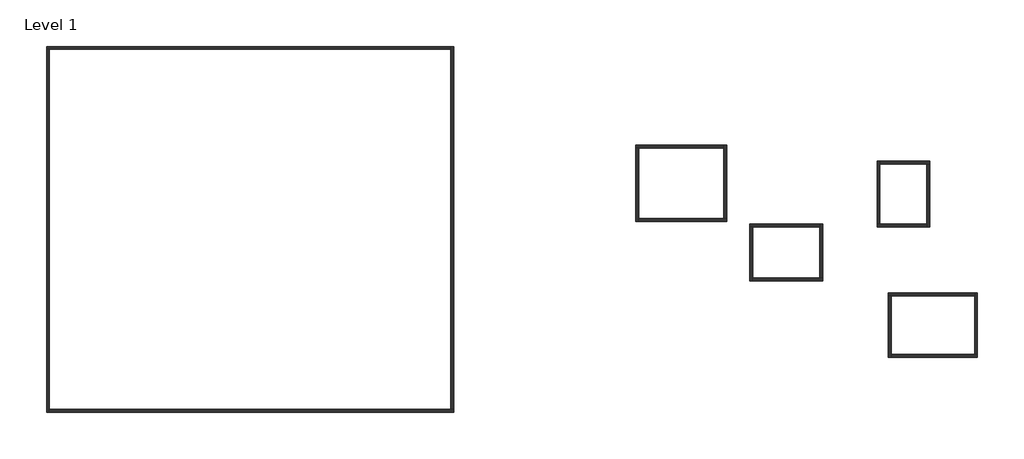
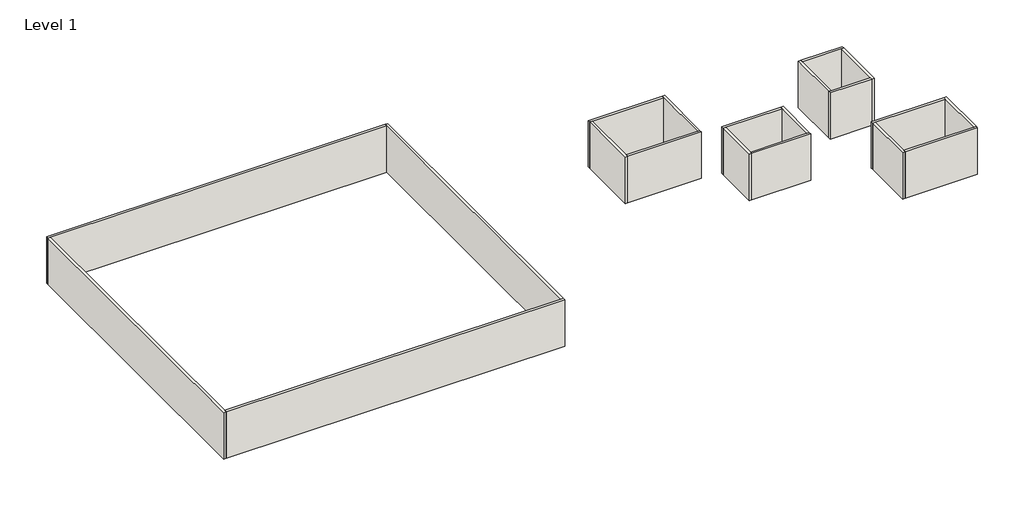
# One storey: 20 walls.
"""IFC4 building model written with IfcOpenShell, lengths in millimetres."""

from ifc_helpers import new_model, si_unit, origin, place, context, project, spatial, faceted_brep, element, save

model = new_model("IFC4")

# Units and contexts
model_context = context("Model", 3, world=origin())
ifc_project = project(units=[si_unit("LENGTHUNIT", "METRE", prefix="MILLI")], contexts=[model_context])

# Site, building, storey
site = spatial("IfcSite", under=ifc_project)
building = spatial("IfcBuilding", under=site)
storey = spatial("IfcBuildingStorey", under=building, Name="Level 1", Elevation=0.0)

# Walls
placement = place(None, origin())
element("IfcWall", 1, ObjectType="Wall 1", at=placement, inside=storey, context=model_context, shape_type="Brep", body=[
    faceted_brep([(804.0524434, 10025.9237187, 0.0), (1004.0524434, 10025.9237187, 0.0), (28404.0524434, 10025.9237187, 0.0), (28404.0524434, 10025.9237187, 4000.0), (1004.0524434, 10025.9237187, 4000.0), (804.0524434, 10025.9237187, 4000.0), (804.0524434, 10225.9237187, 0.0), (804.0524434, 10225.9237187, 4000.0), (28404.0524434, 10225.9237187, 4000.0), (28404.0524434, 10225.9237187, 0.0)], [[[0, 1, 2, 3, 4, 5]], [[6, 7, 8, 9]], [[2, 1, 0, 6, 9]], [[5, 4, 3, 8, 7]], [[0, 5, 7, 6]], [[3, 2, 9, 8]]]),
])
element("IfcWall", 2, ObjectType="Wall 1", at=placement, inside=storey, context=model_context, shape_type="Brep", body=[
    faceted_brep([(1004.0524434, -14774.0762813, 0.0), (1004.0524434, -14574.0762813, 0.0), (1004.0524434, 10025.9237187, 0.0), (1004.0524434, 10025.9237187, 4000.0), (1004.0524434, -14574.0762813, 4000.0), (1004.0524434, -14774.0762813, 4000.0), (804.0524434, -14774.0762813, 0.0), (804.0524434, -14774.0762813, 4000.0), (804.0524434, 10025.9237187, 4000.0), (804.0524434, 10025.9237187, 0.0)], [[[0, 1, 2, 3, 4, 5]], [[6, 7, 8, 9]], [[2, 1, 0, 6, 9]], [[5, 4, 3, 8, 7]], [[0, 5, 7, 6]], [[3, 2, 9, 8]]]),
])
element("IfcWall", 3, ObjectType="Wall 1", at=placement, inside=storey, context=model_context, shape_type="Brep", body=[
    faceted_brep([(28604.0524434, -14574.0762813, 0.0), (28404.0524434, -14574.0762813, 0.0), (1004.0524434, -14574.0762813, 0.0), (1004.0524434, -14574.0762813, 4000.0), (28404.0524434, -14574.0762813, 4000.0), (28604.0524434, -14574.0762813, 4000.0), (28604.0524434, -14774.0762813, 0.0), (28604.0524434, -14774.0762813, 4000.0), (1004.0524434, -14774.0762813, 4000.0), (1004.0524434, -14774.0762813, 0.0)], [[[0, 1, 2, 3, 4, 5]], [[6, 7, 8, 9]], [[2, 1, 0, 6, 9]], [[5, 4, 3, 8, 7]], [[0, 5, 7, 6]], [[3, 2, 9, 8]]]),
])
element("IfcWall", 4, ObjectType="Wall 1", at=placement, inside=storey, context=model_context, shape_type="Brep", body=[
    faceted_brep([(28404.0524434, 10225.9237187, 0.0), (28404.0524434, 10025.9237187, 0.0), (28404.0524434, -14574.0762813, 0.0), (28404.0524434, -14574.0762813, 4000.0), (28404.0524434, 10025.9237187, 4000.0), (28404.0524434, 10225.9237187, 4000.0), (28604.0524434, 10225.9237187, 0.0), (28604.0524434, 10225.9237187, 4000.0), (28604.0524434, -14574.0762813, 4000.0), (28604.0524434, -14574.0762813, 0.0)], [[[0, 1, 2, 3, 4, 5]], [[6, 7, 8, 9]], [[2, 1, 0, 6, 9]], [[5, 4, 3, 8, 7]], [[0, 5, 7, 6]], [[3, 2, 9, 8]]]),
])
element("IfcWall", 5, ObjectType="Wall 1", at=placement, inside=storey, context=model_context, shape_type="Brep", body=[
    faceted_brep([(41068.6655949, 3273.3550795, 0.0), (41268.6655949, 3273.3550795, 0.0), (47068.6655949, 3273.3550795, 0.0), (47068.6655949, 3273.3550795, 4000.0), (41268.6655949, 3273.3550795, 4000.0), (41068.6655949, 3273.3550795, 4000.0), (41068.6655949, 3473.3550795, 0.0), (41068.6655949, 3473.3550795, 4000.0), (47068.6655949, 3473.3550795, 4000.0), (47068.6655949, 3473.3550795, 0.0)], [[[0, 1, 2, 3, 4, 5]], [[6, 7, 8, 9]], [[2, 1, 0, 6, 9]], [[5, 4, 3, 8, 7]], [[0, 5, 7, 6]], [[3, 2, 9, 8]]]),
])
element("IfcWall", 6, ObjectType="Wall 1", at=placement, inside=storey, context=model_context, shape_type="Brep", body=[
    faceted_brep([(41268.6655949, -1726.6449205, 0.0), (41268.6655949, -1526.6449205, 0.0), (41268.6655949, 3273.3550795, 0.0), (41268.6655949, 3273.3550795, 4000.0), (41268.6655949, -1526.6449205, 4000.0), (41268.6655949, -1726.6449205, 4000.0), (41068.6655949, -1726.6449205, 0.0), (41068.6655949, -1726.6449205, 4000.0), (41068.6655949, 3273.3550795, 4000.0), (41068.6655949, 3273.3550795, 0.0)], [[[0, 1, 2, 3, 4, 5]], [[6, 7, 8, 9]], [[2, 1, 0, 6, 9]], [[5, 4, 3, 8, 7]], [[0, 5, 7, 6]], [[3, 2, 9, 8]]]),
])
element("IfcWall", 7, ObjectType="Wall 1", at=placement, inside=storey, context=model_context, shape_type="Brep", body=[
    faceted_brep([(47268.6655949, -1526.6449205, 0.0), (47068.6655949, -1526.6449205, 0.0), (41268.6655949, -1526.6449205, 0.0), (41268.6655949, -1526.6449205, 4000.0), (47068.6655949, -1526.6449205, 4000.0), (47268.6655949, -1526.6449205, 4000.0), (47268.6655949, -1726.6449205, 0.0), (47268.6655949, -1726.6449205, 4000.0), (41268.6655949, -1726.6449205, 4000.0), (41268.6655949, -1726.6449205, 0.0)], [[[0, 1, 2, 3, 4, 5]], [[6, 7, 8, 9]], [[2, 1, 0, 6, 9]], [[5, 4, 3, 8, 7]], [[0, 5, 7, 6]], [[3, 2, 9, 8]]]),
])
element("IfcWall", 8, ObjectType="Wall 1", at=placement, inside=storey, context=model_context, shape_type="Brep", body=[
    faceted_brep([(47068.6655949, 3473.3550795, 0.0), (47068.6655949, 3273.3550795, 0.0), (47068.6655949, -1526.6449205, 0.0), (47068.6655949, -1526.6449205, 4000.0), (47068.6655949, 3273.3550795, 4000.0), (47068.6655949, 3473.3550795, 4000.0), (47268.6655949, 3473.3550795, 0.0), (47268.6655949, 3473.3550795, 4000.0), (47268.6655949, -1526.6449205, 4000.0), (47268.6655949, -1526.6449205, 0.0)], [[[0, 1, 2, 3, 4, 5]], [[6, 7, 8, 9]], [[2, 1, 0, 6, 9]], [[5, 4, 3, 8, 7]], [[0, 5, 7, 6]], [[3, 2, 9, 8]]]),
])
element("IfcWall", 9, ObjectType="Wall 1", at=placement, inside=storey, context=model_context, shape_type="Brep", body=[
    faceted_brep([(48837.8560999, -2101.4183598, 0.0), (49037.8560999, -2101.4183598, 0.0), (53637.8560999, -2101.4183598, 0.0), (53637.8560999, -2101.4183598, 4000.0), (49037.8560999, -2101.4183598, 4000.0), (48837.8560999, -2101.4183598, 4000.0), (48837.8560999, -1901.4183598, 0.0), (48837.8560999, -1901.4183598, 4000.0), (53637.8560999, -1901.4183598, 4000.0), (53637.8560999, -1901.4183598, 0.0)], [[[0, 1, 2, 3, 4, 5]], [[6, 7, 8, 9]], [[2, 1, 0, 6, 9]], [[5, 4, 3, 8, 7]], [[0, 5, 7, 6]], [[3, 2, 9, 8]]]),
])
element("IfcWall", 10, ObjectType="Wall 1", at=placement, inside=storey, context=model_context, shape_type="Brep", body=[
    faceted_brep([(49037.8560999, -5801.4183598, 0.0), (49037.8560999, -5601.4183598, 0.0), (49037.8560999, -2101.4183598, 0.0), (49037.8560999, -2101.4183598, 4000.0), (49037.8560999, -5601.4183598, 4000.0), (49037.8560999, -5801.4183598, 4000.0), (48837.8560999, -5801.4183598, 0.0), (48837.8560999, -5801.4183598, 4000.0), (48837.8560999, -2101.4183598, 4000.0), (48837.8560999, -2101.4183598, 0.0)], [[[0, 1, 2, 3, 4, 5]], [[6, 7, 8, 9]], [[2, 1, 0, 6, 9]], [[5, 4, 3, 8, 7]], [[0, 5, 7, 6]], [[3, 2, 9, 8]]]),
])
element("IfcWall", 11, ObjectType="Wall 1", at=placement, inside=storey, context=model_context, shape_type="Brep", body=[
    faceted_brep([(53837.8560999, -5601.4183598, 0.0), (53637.8560999, -5601.4183598, 0.0), (49037.8560999, -5601.4183598, 0.0), (49037.8560999, -5601.4183598, 4000.0), (53637.8560999, -5601.4183598, 4000.0), (53837.8560999, -5601.4183598, 4000.0), (53837.8560999, -5801.4183598, 0.0), (53837.8560999, -5801.4183598, 4000.0), (49037.8560999, -5801.4183598, 4000.0), (49037.8560999, -5801.4183598, 0.0)], [[[0, 1, 2, 3, 4, 5]], [[6, 7, 8, 9]], [[2, 1, 0, 6, 9]], [[5, 4, 3, 8, 7]], [[0, 5, 7, 6]], [[3, 2, 9, 8]]]),
])
element("IfcWall", 12, ObjectType="Wall 1", at=placement, inside=storey, context=model_context, shape_type="Brep", body=[
    faceted_brep([(53637.8560999, -1901.4183598, 0.0), (53637.8560999, -2101.4183598, 0.0), (53637.8560999, -5601.4183598, 0.0), (53637.8560999, -5601.4183598, 4000.0), (53637.8560999, -2101.4183598, 4000.0), (53637.8560999, -1901.4183598, 4000.0), (53837.8560999, -1901.4183598, 0.0), (53837.8560999, -1901.4183598, 4000.0), (53837.8560999, -5601.4183598, 4000.0), (53837.8560999, -5601.4183598, 0.0)], [[[0, 1, 2, 3, 4, 5]], [[6, 7, 8, 9]], [[2, 1, 0, 6, 9]], [[5, 4, 3, 8, 7]], [[0, 5, 7, 6]], [[3, 2, 9, 8]]]),
])
element("IfcWall", 13, ObjectType="Wall 1", at=placement, inside=storey, context=model_context, shape_type="Brep", body=[
    faceted_brep([(57537.5640817, -2101.4183598, 0.0), (60937.5640817, -2101.4183598, 0.0), (60937.5640817, -2101.4183598, 4000.0), (57537.5640817, -2101.4183598, 4000.0), (57537.5640817, -1901.4183598, 0.0), (57537.5640817, -1901.4183598, 4000.0), (57737.5640817, -1901.4183598, 4000.0), (60937.5640817, -1901.4183598, 4000.0), (60937.5640817, -1901.4183598, 0.0), (57737.5640817, -1901.4183598, 0.0)], [[[0, 1, 2, 3]], [[4, 5, 6, 7, 8, 9]], [[1, 0, 4, 9, 8]], [[3, 2, 7, 6, 5]], [[0, 3, 5, 4]], [[2, 1, 8, 7]]]),
])
element("IfcWall", 14, ObjectType="Wall 1", at=placement, inside=storey, context=model_context, shape_type="Brep", body=[
    faceted_brep([(57537.5640817, 2398.5816402, 0.0), (57537.5640817, -1901.4183598, 0.0), (57537.5640817, -1901.4183598, 4000.0), (57537.5640817, 2398.5816402, 4000.0), (57737.5640817, 2398.5816402, 0.0), (57737.5640817, 2398.5816402, 4000.0), (57737.5640817, 2198.5816402, 4000.0), (57737.5640817, -1901.4183598, 4000.0), (57737.5640817, -1901.4183598, 0.0), (57737.5640817, 2198.5816402, 0.0)], [[[0, 1, 2, 3]], [[4, 5, 6, 7, 8, 9]], [[1, 0, 4, 9, 8]], [[3, 2, 7, 6, 5]], [[0, 3, 5, 4]], [[2, 1, 8, 7]]]),
])
element("IfcWall", 15, ObjectType="Wall 1", at=placement, inside=storey, context=model_context, shape_type="Brep", body=[
    faceted_brep([(61137.5640817, 2398.5816402, 0.0), (57737.5640817, 2398.5816402, 0.0), (57737.5640817, 2398.5816402, 4000.0), (61137.5640817, 2398.5816402, 4000.0), (61137.5640817, 2198.5816402, 0.0), (61137.5640817, 2198.5816402, 4000.0), (60937.5640817, 2198.5816402, 4000.0), (57737.5640817, 2198.5816402, 4000.0), (57737.5640817, 2198.5816402, 0.0), (60937.5640817, 2198.5816402, 0.0)], [[[0, 1, 2, 3]], [[4, 5, 6, 7, 8, 9]], [[1, 0, 4, 9, 8]], [[3, 2, 7, 6, 5]], [[0, 3, 5, 4]], [[2, 1, 8, 7]]]),
])
element("IfcWall", 16, ObjectType="Wall 1", at=placement, inside=storey, context=model_context, shape_type="Brep", body=[
    faceted_brep([(61137.5640817, -2101.4183598, 0.0), (61137.5640817, 2198.5816402, 0.0), (61137.5640817, 2198.5816402, 4000.0), (61137.5640817, -2101.4183598, 4000.0), (60937.5640817, -2101.4183598, 0.0), (60937.5640817, -2101.4183598, 4000.0), (60937.5640817, -1901.4183598, 4000.0), (60937.5640817, 2198.5816402, 4000.0), (60937.5640817, 2198.5816402, 0.0), (60937.5640817, -1901.4183598, 0.0)], [[[0, 1, 2, 3]], [[4, 5, 6, 7, 8, 9]], [[1, 0, 4, 9, 8]], [[3, 2, 7, 6, 5]], [[0, 3, 5, 4]], [[2, 1, 8, 7]]]),
])
element("IfcWall", 17, ObjectType="Wall 1", at=placement, inside=storey, context=model_context, shape_type="Brep", body=[
    faceted_brep([(58296.0001622, -6830.4903909, 0.0), (58496.0001622, -6830.4903909, 0.0), (64196.0001622, -6830.4903909, 0.0), (64196.0001622, -6830.4903909, 4000.0), (58496.0001622, -6830.4903909, 4000.0), (58296.0001622, -6830.4903909, 4000.0), (58296.0001622, -6630.4903909, 0.0), (58296.0001622, -6630.4903909, 4000.0), (64196.0001622, -6630.4903909, 4000.0), (64196.0001622, -6630.4903909, 0.0)], [[[0, 1, 2, 3, 4, 5]], [[6, 7, 8, 9]], [[2, 1, 0, 6, 9]], [[5, 4, 3, 8, 7]], [[0, 5, 7, 6]], [[3, 2, 9, 8]]]),
])
element("IfcWall", 18, ObjectType="Wall 1", at=placement, inside=storey, context=model_context, shape_type="Brep", body=[
    faceted_brep([(58496.0001622, -11030.4903909, 0.0), (58496.0001622, -10830.4903909, 0.0), (58496.0001622, -6830.4903909, 0.0), (58496.0001622, -6830.4903909, 4000.0), (58496.0001622, -10830.4903909, 4000.0), (58496.0001622, -11030.4903909, 4000.0), (58296.0001622, -11030.4903909, 0.0), (58296.0001622, -11030.4903909, 4000.0), (58296.0001622, -6830.4903909, 4000.0), (58296.0001622, -6830.4903909, 0.0)], [[[0, 1, 2, 3, 4, 5]], [[6, 7, 8, 9]], [[2, 1, 0, 6, 9]], [[5, 4, 3, 8, 7]], [[0, 5, 7, 6]], [[3, 2, 9, 8]]]),
])
element("IfcWall", 19, ObjectType="Wall 1", at=placement, inside=storey, context=model_context, shape_type="Brep", body=[
    faceted_brep([(64396.0001622, -10830.4903909, 0.0), (64196.0001622, -10830.4903909, 0.0), (58496.0001622, -10830.4903909, 0.0), (58496.0001622, -10830.4903909, 4000.0), (64196.0001622, -10830.4903909, 4000.0), (64396.0001622, -10830.4903909, 4000.0), (64396.0001622, -11030.4903909, 0.0), (64396.0001622, -11030.4903909, 4000.0), (58496.0001622, -11030.4903909, 4000.0), (58496.0001622, -11030.4903909, 0.0)], [[[0, 1, 2, 3, 4, 5]], [[6, 7, 8, 9]], [[2, 1, 0, 6, 9]], [[5, 4, 3, 8, 7]], [[0, 5, 7, 6]], [[3, 2, 9, 8]]]),
])
element("IfcWall", 20, ObjectType="Wall 1", at=placement, inside=storey, context=model_context, shape_type="Brep", body=[
    faceted_brep([(64196.0001622, -6630.4903909, 0.0), (64196.0001622, -6830.4903909, 0.0), (64196.0001622, -10830.4903909, 0.0), (64196.0001622, -10830.4903909, 4000.0), (64196.0001622, -6830.4903909, 4000.0), (64196.0001622, -6630.4903909, 4000.0), (64396.0001622, -6630.4903909, 0.0), (64396.0001622, -6630.4903909, 4000.0), (64396.0001622, -10830.4903909, 4000.0), (64396.0001622, -10830.4903909, 0.0)], [[[0, 1, 2, 3, 4, 5]], [[6, 7, 8, 9]], [[2, 1, 0, 6, 9]], [[5, 4, 3, 8, 7]], [[0, 5, 7, 6]], [[3, 2, 9, 8]]]),
])

save(model, "model.ifc")
